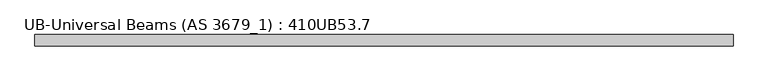
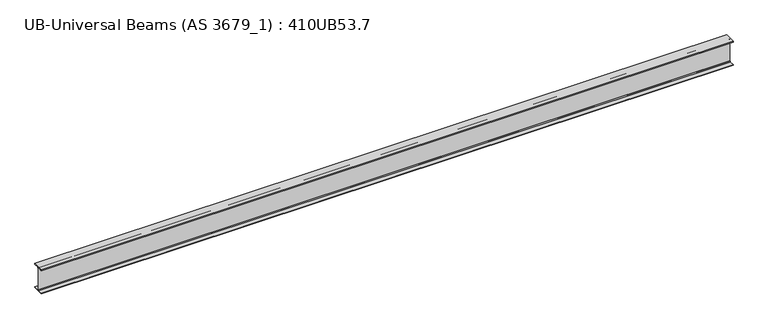
"""IFC4 building model written with IfcOpenShell, lengths in millimetres: beam geometry, UB-Universal Beams (AS 3679_1) : 410UB53.7."""

from ifc_helpers import new_model, si_unit, point, frame, frame_2d, origin, place, context, project, spatial, polyline, circle_curve, trimmed, segment, composite_curve, outline, extrude, source, transform, mapped, element, save


def ub_universal_beams_as_3679_1_410ub53_7_87ecc90b(model_context):
    return source(origin(), model_context, "Body", "SweptSolid", [
        extrude(outline(composite_curve([segment(polyline([(-89.0, -190.4), (-15.2, -190.4)]), True, "CONTINUOUS"), segment(trimmed(circle_curve(frame_2d((-15.2, -179.0)), 11.4), [point((-15.2, -190.4))], [point((-3.8, -179.0))], True, "CARTESIAN"), True, "CONTINUOUS"), segment(polyline([(-3.8, -179.0), (-3.8, 179.0)]), True, "CONTINUOUS"), segment(trimmed(circle_curve(frame_2d((-15.2, 179.0)), 11.4), [point((-3.8, 179.0))], [point((-15.2, 190.4))], True, "CARTESIAN"), True, "CONTINUOUS"), segment(polyline([(-15.2, 190.4), (-89.0, 190.4), (-89.0, 201.3), (89.0, 201.3), (89.0, 190.4), (15.2, 190.4)]), True, "CONTINUOUS"), segment(trimmed(circle_curve(frame_2d((15.2, 179.0)), 11.4), [point((15.2, 190.4))], [point((3.8, 179.0))], True, "CARTESIAN"), True, "CONTINUOUS"), segment(polyline([(3.8, 179.0), (3.8, -179.0)]), True, "CONTINUOUS"), segment(trimmed(circle_curve(frame_2d((15.2, -179.0)), 11.4), [point((3.8, -179.0))], [point((15.2, -190.4))], True, "CARTESIAN"), True, "CONTINUOUS"), segment(polyline([(15.2, -190.4), (89.0, -190.4), (89.0, -201.3), (-89.0, -201.3), (-89.0, -190.4)]), True, "CONTINUOUS")], self_intersect=False)), frame((-6003.9, 0.0, 0.0), z_axis=(1.0, 0.0, 0.0), x_axis=(0.0, 1.0, 0.0)), (0.0, 0.0, 1.0), 10964.7),
    ])


if __name__ == "__main__":
    model = new_model("IFC4")
    model_context = context("Model", 3, world=origin())
    ifc_project = project(units=[si_unit("LENGTHUNIT", "METRE", prefix="MILLI")], contexts=[model_context])
    site = spatial("IfcSite", under=ifc_project)
    building = spatial("IfcBuilding", under=site)
    placement = place(None, origin())
    ub_universal_beams_as_3679_1_410ub53_7_shape = ub_universal_beams_as_3679_1_410ub53_7_87ecc90b(model_context)
    element("IfcBeam", 1, ObjectType="UB-Universal Beams (AS 3679_1) : 410UB53.7", at=placement, inside=building, context=model_context, shape_type="MappedRepresentation", body=[
        mapped(ub_universal_beams_as_3679_1_410ub53_7_shape, transform((0.0, 0.0, 0.0), x_axis=(1.0, 0.0, 0.0), y_axis=(0.0, 1.0, 0.0), z_axis=(0.0, 0.0, 1.0))),
    ])
    save(model, "model.ifc")
